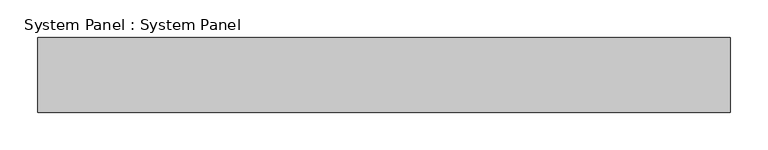
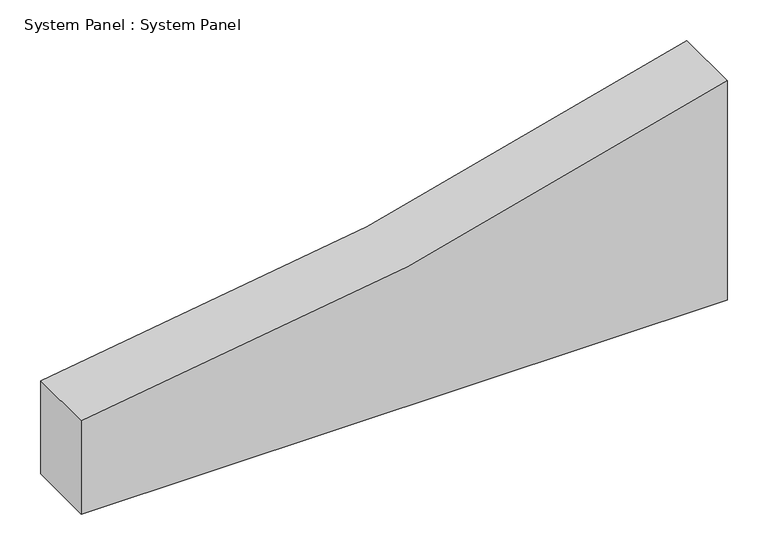
"""IFC4 building model written with IfcOpenShell, lengths in millimetres: plate geometry, System Panel : System Panel."""

from ifc_helpers import new_model, si_unit, point, frame, frame_2d, origin, place, context, project, spatial, polyline, circle_curve, trimmed, segment, composite_curve, outline, extrude, source, transform, mapped, element, save


def system_panel_system_panel_9ae1f052(model_context):
    return source(origin(), model_context, "Body", "SweptSolid", [
        extrude(outline(composite_curve([segment(polyline([(0.0, -460.6695549), (0.0, 460.6695549), (331.0341974, 460.6695549)]), True, "CONTINUOUS"), segment(trimmed(circle_curve(frame_2d((4335.9328623, -848.2662659)), 4213.3746925), [point((331.0341974, 460.6695549))], [point((140.4239433, -460.6695549))], True, "CARTESIAN"), True, "CONTINUOUS"), segment(polyline([(140.4239433, -460.6695549), (0.0, -460.6695549)]), True, "CONTINUOUS")], self_intersect=False)), frame((0.0, -50.0, 0.0), z_axis=(0.0, 1.0, 0.0), x_axis=(0.0, 0.0, 1.0)), (0.0, 0.0, 1.0), 100.0),
    ])


if __name__ == "__main__":
    model = new_model("IFC4")
    model_context = context("Model", 3, world=origin())
    ifc_project = project(units=[si_unit("LENGTHUNIT", "METRE", prefix="MILLI")], contexts=[model_context])
    site = spatial("IfcSite", under=ifc_project)
    building = spatial("IfcBuilding", under=site)
    placement = place(None, origin())
    system_panel_system_panel_shape = system_panel_system_panel_9ae1f052(model_context)
    element("IfcPlate", 1, ObjectType="System Panel : System Panel", at=placement, inside=building, context=model_context, shape_type="MappedRepresentation", body=[
        mapped(system_panel_system_panel_shape, transform((0.0, 0.0, 0.0), x_axis=(1.0, 0.0, 0.0), y_axis=(0.0, 1.0, 0.0), z_axis=(0.0, 0.0, 1.0))),
    ])
    save(model, "model.ifc")
